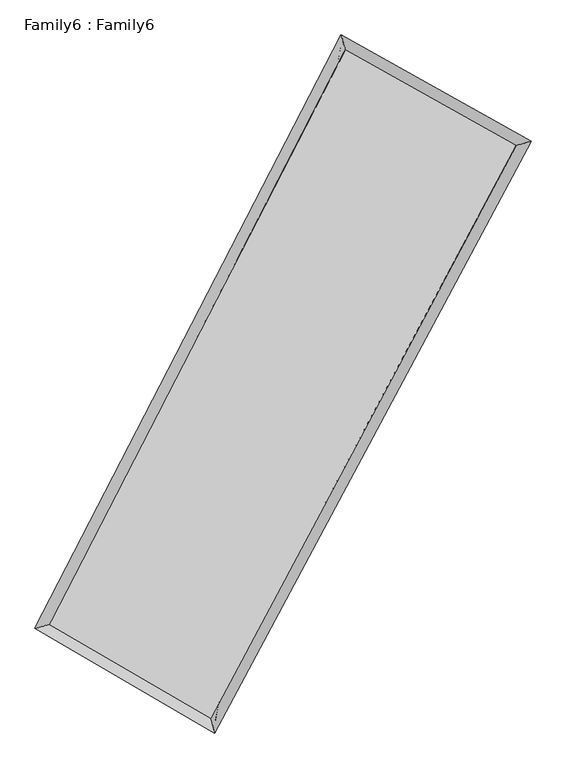
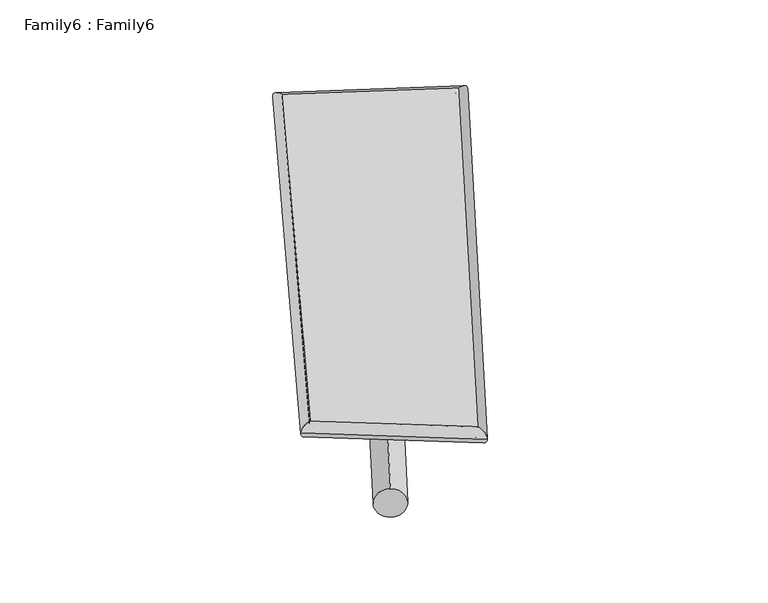
"""IFC4 building model written with IfcOpenShell, lengths in millimetres: plate geometry, Family6 : Family6."""

from ifc_helpers import new_model, si_unit, point, frame, origin, origin_2d, place, context, project, spatial, circle_curve, ellipse_curve, trimmed, segment, composite_curve, outline, extrude, source, transform, mapped, element, save
from ifc_brep_helpers import plane_surface, cylinder_surface, spline_surface, advanced_brep


def family6_family6_ce456d89(model_context):
    return source(origin(), model_context, "Body", "SolidModel", [
        extrude(outline(composite_curve([segment(trimmed(circle_curve(origin_2d(), 76.2), [point((-75.4341515, -10.7763074))], [point((75.4341515, 10.7763074))], False, "CARTESIAN"), True, "CONTINUOUS"), segment(trimmed(circle_curve(origin_2d(), 76.2), [point((75.4341515, 10.7763074))], [point((-75.4341515, -10.7763074))], False, "CARTESIAN"), True, "CONTINUOUS")], self_intersect=False)), frame((9144.0, 9144.0, 0.0), z_axis=(0.6760363460295095, 0.6796810659496145, 0.28461993506545746), x_axis=(-0.6732452420282845, 0.7267369006611712, -0.1363609962697234)), (0.0, 0.0, 1.0), 5541.7194582),
        extrude(outline(composite_curve([segment(trimmed(circle_curve(origin_2d(), 76.2), [point((-53.8815367, 53.8815368))], [point((53.8815367, -53.8815368))], False, "CARTESIAN"), True, "CONTINUOUS"), segment(trimmed(circle_curve(origin_2d(), 76.2), [point((53.8815367, -53.8815368))], [point((-53.8815367, 53.8815368))], False, "CARTESIAN"), True, "CONTINUOUS")], self_intersect=False)), frame((9144.0, 9144.0, 0.0), z_axis=(-0.666479927724948, -0.6879925446405353, 0.2871772352725568), x_axis=(0.6509669753173911, -0.34928636624842807, 0.6739740584021733)), (0.0, 0.0, 1.0), 5499.8316787),
        extrude(outline(composite_curve([segment(trimmed(circle_curve(origin_2d(), 76.2), [point((-53.8815367, -53.8815367))], [point((53.8815367, 53.8815367))], False, "CARTESIAN"), True, "CONTINUOUS"), segment(trimmed(circle_curve(origin_2d(), 76.2), [point((53.8815367, 53.8815367))], [point((-53.8815367, -53.8815367))], False, "CARTESIAN"), True, "CONTINUOUS")], self_intersect=False)), frame((9144.0, 9144.0, 0.0), z_axis=(0.18282403379449888, 0.9473924970033676, 0.26272196194614583), x_axis=(-0.8523017607140162, 0.2859300475457859, -0.4379791280349472)), (0.0, 0.0, 1.0), 5585.4347911),
        extrude(outline(composite_curve([segment(trimmed(circle_curve(origin_2d(), 76.2), [point((-75.4341514, 10.7763074))], [point((75.4341514, -10.7763074))], False, "CARTESIAN"), True, "CONTINUOUS"), segment(trimmed(circle_curve(origin_2d(), 76.2), [point((75.4341514, -10.7763074))], [point((-75.4341514, 10.7763074))], False, "CARTESIAN"), True, "CONTINUOUS")], self_intersect=False)), frame((9144.0, 9144.0, 0.0), z_axis=(-0.1955330930728883, -0.9449767976097811, 0.26227020702419046), x_axis=(0.9007024684717726, -0.0672512386995481, 0.4291996437349779)), (0.0, 0.0, 1.0), 5586.4651042),
        advanced_brep(
        [(5276.9130764, 5301.5491469, 1573.1576491), (5276.7268072, 5301.184577, 1588.9046047), (5680.0320841, 5418.7644697, 1585.6952628), (10228.1010143, 14225.797232, 1476.9979313), (10102.2024238, 14645.4007952, 1457.834842), (5680.2183534, 5419.1290395, 1569.9483072), (12685.5150695, 12850.6768612, 1576.0675952), (13095.292477, 12970.5267158, 1578.5000694), (7991.7159665, 4075.9565776, 1467.3056664), (8111.6064312, 3653.8836142, 1463.0210524)],
        [
            (0, 1, ellipse_curve(frame((5478.4725803, 5360.1568083, 1579.426456), z_axis=(-0.2796997235001869, 0.9599011889153201, 0.01891486698007807), x_axis=(-0.9592688651503586, -0.2802203997728438, 0.03577389976352461)), 210.4100124, 152.4)),
            (1, 2, ellipse_curve(frame((5478.4725803, 5360.1568083, 1579.426456), z_axis=(-0.2796997235001869, 0.9599011889153201, 0.01891486698007807), x_axis=(-0.9592688651503586, -0.2802203997728438, 0.03577389976352461)), 210.4100124, 152.4)),
            (2, 3),
            (3, 4, ellipse_curve(frame((10165.151719, 14435.5990136, 1467.4163866), z_axis=(-0.9574511251638005, -0.2880701743491314, -0.017404527371736367), x_axis=(0.28743081353832545, -0.9572641179946334, 0.032077029610811984)), 219.2673472, 152.4)),
            (4, 0),
            (2, 5, ellipse_curve(frame((5478.4725803, 5360.1568083, 1579.426456), z_axis=(-0.2796997235001869, 0.9599011889153201, 0.01891486698007807), x_axis=(-0.9592688651503586, -0.2802203997728438, 0.03577389976352461)), 210.4100124, 152.4)),
            (5, 0, ellipse_curve(frame((5478.4725803, 5360.1568083, 1579.426456), z_axis=(-0.2796997235001869, 0.9599011889153201, 0.01891486698007807), x_axis=(-0.9592688651503586, -0.2802203997728438, 0.03577389976352461)), 210.4100124, 152.4)),
            (4, 3, ellipse_curve(frame((10165.151719, 14435.5990136, 1467.4163866), z_axis=(-0.9574511251638005, -0.2880701743491314, -0.017404527371736367), x_axis=(0.28743081353832545, -0.9572641179946334, 0.032077029610811984)), 219.2673472, 152.4)),
            (3, 6),
            (6, 7, ellipse_curve(frame((12890.4037732, 12910.6017885, 1577.2838323), z_axis=(-0.2805820865838996, 0.9596798887986794, -0.016976563950918296), x_axis=(-0.9591418420360049, -0.28100670504608366, -0.03289617872827334)), 213.551764, 152.4)),
            (7, 4),
            (7, 6, ellipse_curve(frame((12890.4037732, 12910.6017885, 1577.2838323), z_axis=(-0.2805820865838996, 0.9596798887986794, -0.016976563950918296), x_axis=(-0.9591418420360049, -0.28100670504608366, -0.03289617872827334)), 213.551764, 152.4)),
            (6, 8),
            (8, 9, ellipse_curve(frame((8051.6611988, 3864.9200959, 1465.1633594), z_axis=(0.9617048583194541, 0.2733742660811958, -0.01975540759706914), x_axis=(-0.2726161123728126, 0.9615129917233177, 0.03425232870928788)), 219.4662462, 152.4)),
            (9, 7),
            (9, 8, ellipse_curve(frame((8051.6611988, 3864.9200959, 1465.1633594), z_axis=(0.9617048583194541, 0.2733742660811958, -0.01975540759706914), x_axis=(-0.2726161123728126, 0.9615129917233177, 0.03425232870928788)), 219.4662462, 152.4)),
            (8, 5),
            (1, 9),
        ],
        [
            cylinder_surface(frame((5478.4725803, 5360.1568083, 1579.426456), z_axis=(-0.4588147739280983, -0.8884642708588277, 0.010965520170046077), x_axis=(-0.8875964086832258, 0.45773061455318287, -0.05152960113765185)), 152.4),
            cylinder_surface(frame((10165.151719, 14435.5990136, 1467.4163866), z_axis=(-0.8721225804696738, 0.48802257137934235, -0.035159272734407485), x_axis=(0.48896648165495565, 0.8718997573952504, -0.02650646849502368)), 152.4),
            cylinder_surface(frame((12890.4037732, 12910.6017885, 1577.2838323), z_axis=(0.4716509646460846, 0.8817176013443668, 0.010928816402250236), x_axis=(0.8817810747517839, -0.4716509646460846, -0.002739298816612348)), 152.4),
            cylinder_surface(frame((8051.6611988, 3864.9200959, 1465.1633594), z_axis=(0.8639878678718751, -0.5020488470165648, -0.03836560151423837), x_axis=(-0.5014005994382149, -0.8648342492760627, 0.025674114631428185)), 152.4),
        ],
        [
            (0, [[1, 2, 3, 4, 5]]),
            (0, [[6, 7, -5, 8, -3]]),
            (1, [[-4, 9, 10, 11]]),
            (1, [[-8, -11, 12, -9]]),
            (2, [[-10, 13, 14, 15]]),
            (2, [[-12, -15, 16, -13]]),
            (3, [[-14, 17, -6, -2, 18]]),
            (3, [[-16, -18, -1, -7, -17]]),
        ],
    ),
        extrude(outline(composite_curve([segment(trimmed(circle_curve(origin_2d(), 304.8), [point((0.0, 304.8))], [point((1e-07, -304.8))], False, "CARTESIAN"), True, "CONTINUOUS"), segment(trimmed(circle_curve(origin_2d(), 304.8), [point((1e-07, -304.8))], [point((0.0, 304.8))], False, "CARTESIAN"), True, "CONTINUOUS")], self_intersect=False)), frame((11583.6425726, 13663.4236992, -0.1360961), z_axis=(-0.47502134069940993, -0.8799742752932769, 2.6499194903817547e-05), x_axis=(-0.8799742756667965, 0.47502134069940993, -6.695667731252705e-06)), (0.0, 0.0, 1.0), 10271.7177674),
        advanced_brep(
        [(5478.4725803, 5360.1568083, 1579.426456), (8051.6611988, 3864.9200959, 1465.1633594), (8051.6352506, 3864.9282512, 1617.563357), (5478.4466321, 5360.1649636, 1731.8264535), (12890.4037732, 12910.6017885, 1577.2838323), (12890.377825, 12910.6099439, 1729.6838299), (10165.151719, 14435.5990136, 1467.4163866), (10165.1257708, 14435.6071689, 1619.8163842)],
        [
            (0, 1),
            (1, 2),
            (2, 3),
            (3, 0),
            (1, 4),
            (4, 5),
            (5, 2),
            (4, 6),
            (6, 7),
            (7, 5),
            (6, 0),
            (3, 7),
        ],
        [
            plane_surface(frame((6765.0668896, 4612.5384521, 1522.2949077), z_axis=(-0.5024200465371803, -0.8646236726431964, -3.927554743579295e-05), x_axis=(0.8639878678718751, -0.5020488470165647, -0.038365601514238366))),
            plane_surface(frame((10471.032486, 8387.7609422, 1521.2235959), z_axis=(0.8817693441567028, -0.47168081681292817, 0.0001753743060781375), x_axis=(0.47165096464608436, 0.881717601344367, 0.010928816402250262))),
            plane_surface(frame((11527.7777461, 13673.1004011, 1522.3501095), z_axis=(0.4883233726128867, 0.8726627541219595, 3.644520131140805e-05), x_axis=(-0.8721225804696736, 0.48802257137934235, -0.03515927273440746))),
            plane_surface(frame((7821.8121496, 9897.8779109, 1523.4214213), z_axis=(-0.8885185623445545, 0.45884064058314156, -0.00017583634036977356), x_axis=(-0.45881477392809794, -0.888464270858828, 0.010965520170046103))),
            spline_surface(1, 1, [[(8051.6352506, 3864.9282512, 1617.563357), (5478.4466321, 5360.1649636, 1731.8264535)], [(12890.377825, 12910.6099439, 1729.6838299), (10165.1257708, 14435.6071689, 1619.8163842)]], [2, 2], [2, 2], [0.0, 1.0], [0.0, 1.0]),
            spline_surface(1, 1, [[(10165.151719, 14435.5990136, 1467.4163866), (5478.4725803, 5360.1568083, 1579.426456)], [(12890.4037732, 12910.6017885, 1577.2838323), (8051.6611988, 3864.9200959, 1465.1633594)]], [2, 2], [2, 2], [0.0, 1.0], [0.0, 1.0]),
        ],
        [
            (0, [[1, 2, 3, 4]]),
            (1, [[5, 6, 7, -2]]),
            (2, [[8, 9, 10, -6]]),
            (3, [[11, -4, 12, -9]]),
            (4, [[-3, -7, -10, -12]]),
            (5, [[-11, -8, -5, -1]]),
        ],
    ),
    ])


if __name__ == "__main__":
    model = new_model("IFC4")
    model_context = context("Model", 3, world=origin())
    ifc_project = project(units=[si_unit("LENGTHUNIT", "METRE", prefix="MILLI")], contexts=[model_context])
    site = spatial("IfcSite", under=ifc_project)
    building = spatial("IfcBuilding", under=site)
    placement = place(None, origin())
    family6_family6_shape = family6_family6_ce456d89(model_context)
    element("IfcPlate", 1, ObjectType="Family6 : Family6", at=placement, inside=building, context=model_context, shape_type="MappedRepresentation", body=[
        mapped(family6_family6_shape, transform((0.0, 0.0, 0.0), x_axis=(1.0, 0.0, 0.0), y_axis=(0.0, 1.0, 0.0), z_axis=(0.0, 0.0, 1.0))),
    ])
    save(model, "model.ifc")
